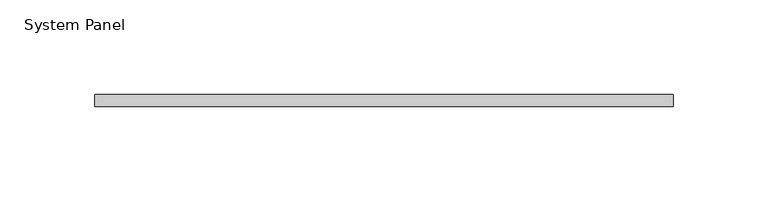
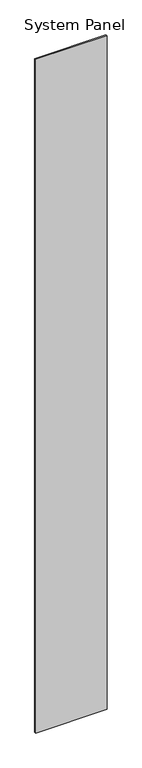
"""IFC4 building model written with IfcOpenShell, lengths in millimetres: plate geometry, System Panel."""

from ifc_helpers import new_model, si_unit, origin, origin_with_axes, place, context, project, spatial, polyline, outline, extrude, source, transform, mapped, element, save


def system_panel_425a509e(model_context):
    return source(origin(), model_context, "Body", "SweptSolid", [
        extrude(outline(polyline([(153.0454829, -6.35), (-153.0454829, -6.35), (-153.0454829, 0.0), (153.0454829, 0.0), (153.0454829, -6.35)])), origin_with_axes(), (0.0, 0.0, 1.0), 3048.0),
    ])


if __name__ == "__main__":
    model = new_model("IFC4")
    model_context = context("Model", 3, world=origin())
    ifc_project = project(units=[si_unit("LENGTHUNIT", "METRE", prefix="MILLI")], contexts=[model_context])
    site = spatial("IfcSite", under=ifc_project)
    building = spatial("IfcBuilding", under=site)
    placement = place(None, origin())
    system_panel_shape = system_panel_425a509e(model_context)
    element("IfcPlate", 1, ObjectType="System Panel", at=placement, inside=building, context=model_context, shape_type="MappedRepresentation", body=[
        mapped(system_panel_shape, transform((0.0, 0.0, 0.0), x_axis=(1.0, 0.0, 0.0), y_axis=(0.0, 1.0, 0.0), z_axis=(0.0, 0.0, 1.0))),
    ])
    save(model, "model.ifc")
